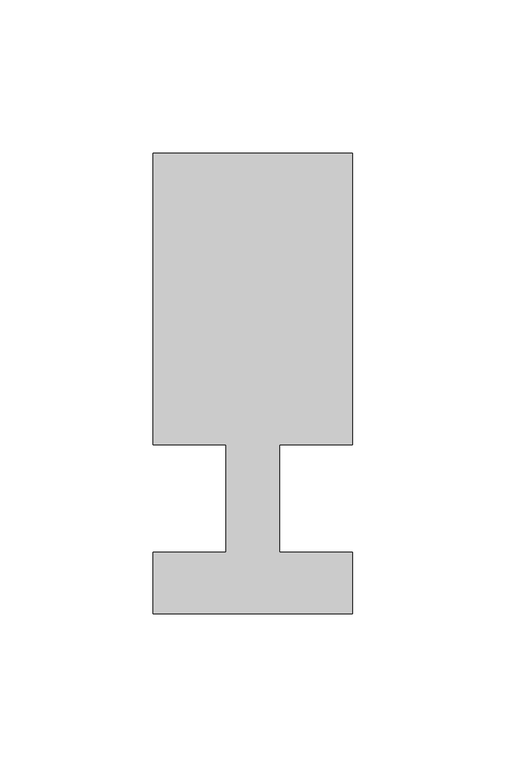
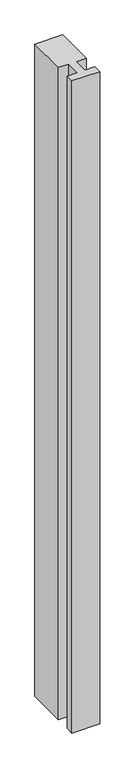
"""IFC4 building model written with IfcOpenShell, lengths in millimetres: member geometry."""

from ifc_helpers import new_model, si_unit, frame, origin, place, context, project, spatial, polyline, outline, extrude, source, transform, mapped, element, save


def member_2f0bc74f(model_context):
    return source(origin(), model_context, "Body", "SweptSolid", [
        extrude(outline(polyline([(-65.0, -37.0), (-65.0, -17.0), (-41.1875, -17.0), (-41.1875, 18.0), (-65.0, 18.0), (-65.0, 113.0), (0.0, 113.0), (0.0, 18.0), (-23.8125, 18.0), (-23.8125, -17.0), (0.0, -17.0), (0.0, -37.0), (-65.0, -37.0)])), frame((0.0, 0.0, -1611.1875), z_axis=(0.0, 0.0, 1.0), x_axis=(1.0, 0.0, 0.0)), (0.0, 0.0, 1.0), 1611.1875),
    ])


if __name__ == "__main__":
    model = new_model("IFC4")
    model_context = context("Model", 3, world=origin())
    ifc_project = project(units=[si_unit("LENGTHUNIT", "METRE", prefix="MILLI")], contexts=[model_context])
    site = spatial("IfcSite", under=ifc_project)
    building = spatial("IfcBuilding", under=site)
    placement = place(None, origin())
    member_shape = member_2f0bc74f(model_context)
    element("IfcMember", 1, at=placement, inside=building, context=model_context, shape_type="MappedRepresentation", body=[
        mapped(member_shape, transform((0.0, 0.0, 0.0), x_axis=(1.0, 0.0, 0.0), y_axis=(0.0, 1.0, 0.0), z_axis=(0.0, 0.0, 1.0))),
    ])
    save(model, "model.ifc")
